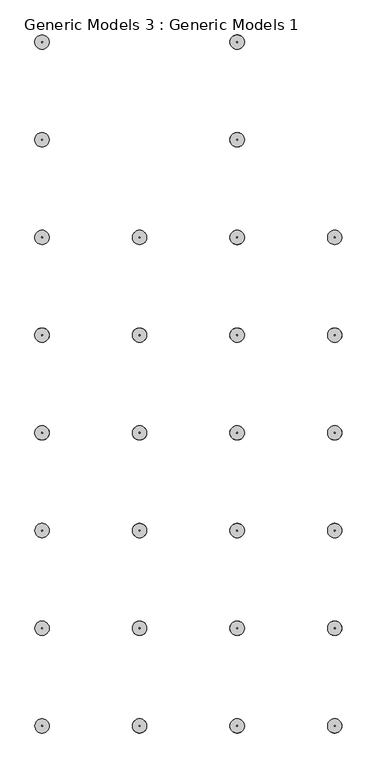
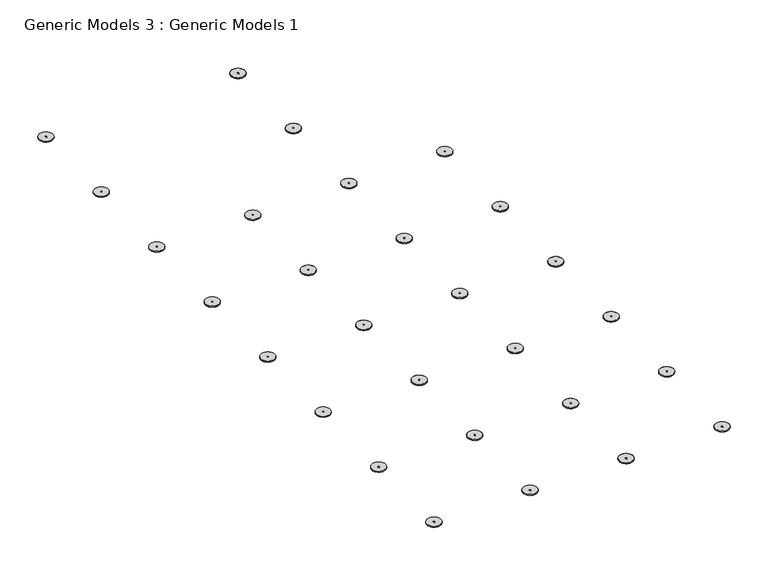
"""IFC4 building model written with IfcOpenShell, lengths in millimetres: proxy geometry, Generic Models 3 : Generic Models 1."""

from ifc_helpers import new_model, si_unit, point, frame, frame_2d, origin, place, context, project, spatial, circle_curve, trimmed, segment, composite_curve, outline, extrude, source, transform, mapped, element, save


def generic_models_3_generic_models_1_e94367e5(model_context):
    return source(origin(), model_context, "Body", "SweptSolid", [
        extrude(outline(composite_curve([segment(trimmed(circle_curve(frame_2d((2657.2726139, -2527.2713401)), 22.225), [point((2657.2726139, -2549.4963401))], [point((2657.2726139, -2505.0463401))], False, "CARTESIAN"), True, "CONTINUOUS"), segment(trimmed(circle_curve(frame_2d((2657.2726139, -2527.2713401)), 22.225), [point((2657.2726139, -2505.0463401))], [point((2657.2726139, -2549.4963401))], False, "CARTESIAN"), True, "CONTINUOUS")], self_intersect=False), holes=[composite_curve([segment(trimmed(circle_curve(frame_2d((2657.2726139, -2527.2713401)), 1.5875), [point((2657.2726139, -2528.8588401))], [point((2657.2726139, -2525.6838401))], True, "CARTESIAN"), True, "CONTINUOUS"), segment(trimmed(circle_curve(frame_2d((2657.2726139, -2527.2713401)), 1.5875), [point((2657.2726139, -2525.6838401))], [point((2657.2726139, -2528.8588401))], True, "CARTESIAN"), True, "CONTINUOUS")], self_intersect=False)]), frame((0.0, 0.0, 25.4), z_axis=(0.0, 0.0, 1.0), x_axis=(1.0, 0.0, 0.0)), (0.0, 0.0, 1.0), 3.175),
        extrude(outline(composite_curve([segment(trimmed(circle_curve(frame_2d((2657.2726139, -2527.2713401)), 22.225), [point((2635.0476139, -2527.2713401))], [point((2679.4976139, -2527.2713401))], False, "CARTESIAN"), True, "CONTINUOUS"), segment(trimmed(circle_curve(frame_2d((2657.2726139, -2527.2713401)), 22.225), [point((2679.4976139, -2527.2713401))], [point((2635.0476139, -2527.2713401))], False, "CARTESIAN"), True, "CONTINUOUS")], self_intersect=False), holes=[composite_curve([segment(trimmed(circle_curve(frame_2d((2657.2726139, -2527.2713401)), 1.5875), [point((2655.6851139, -2527.2713401))], [point((2658.8601139, -2527.2713401))], True, "CARTESIAN"), True, "CONTINUOUS"), segment(trimmed(circle_curve(frame_2d((2657.2726139, -2527.2713401)), 1.5875), [point((2658.8601139, -2527.2713401))], [point((2655.6851139, -2527.2713401))], True, "CARTESIAN"), True, "CONTINUOUS")], self_intersect=False)]), frame((0.0, 0.0, 25.4), z_axis=(0.0, 0.0, 1.0), x_axis=(1.0, 0.0, 0.0)), (0.0, 0.0, 1.0), 3.175),
        extrude(outline(composite_curve([segment(trimmed(circle_curve(frame_2d((2657.2726139, -2222.4713401)), 22.225), [point((2657.2726139, -2244.6963401))], [point((2657.2726139, -2200.2463401))], False, "CARTESIAN"), True, "CONTINUOUS"), segment(trimmed(circle_curve(frame_2d((2657.2726139, -2222.4713401)), 22.225), [point((2657.2726139, -2200.2463401))], [point((2657.2726139, -2244.6963401))], False, "CARTESIAN"), True, "CONTINUOUS")], self_intersect=False), holes=[composite_curve([segment(trimmed(circle_curve(frame_2d((2657.2726139, -2222.4713401)), 1.5875), [point((2657.2726139, -2224.0588401))], [point((2657.2726139, -2220.8838401))], True, "CARTESIAN"), True, "CONTINUOUS"), segment(trimmed(circle_curve(frame_2d((2657.2726139, -2222.4713401)), 1.5875), [point((2657.2726139, -2220.8838401))], [point((2657.2726139, -2224.0588401))], True, "CARTESIAN"), True, "CONTINUOUS")], self_intersect=False)]), frame((0.0, 0.0, 25.4), z_axis=(0.0, 0.0, 1.0), x_axis=(1.0, 0.0, 0.0)), (0.0, 0.0, 1.0), 3.175),
        extrude(outline(composite_curve([segment(trimmed(circle_curve(frame_2d((2657.2726139, -2222.4713401)), 22.225), [point((2635.0476139, -2222.4713401))], [point((2679.4976139, -2222.4713401))], False, "CARTESIAN"), True, "CONTINUOUS"), segment(trimmed(circle_curve(frame_2d((2657.2726139, -2222.4713401)), 22.225), [point((2679.4976139, -2222.4713401))], [point((2635.0476139, -2222.4713401))], False, "CARTESIAN"), True, "CONTINUOUS")], self_intersect=False), holes=[composite_curve([segment(trimmed(circle_curve(frame_2d((2657.2726139, -2222.4713401)), 1.5875), [point((2655.6851139, -2222.4713401))], [point((2658.8601139, -2222.4713401))], True, "CARTESIAN"), True, "CONTINUOUS"), segment(trimmed(circle_curve(frame_2d((2657.2726139, -2222.4713401)), 1.5875), [point((2658.8601139, -2222.4713401))], [point((2655.6851139, -2222.4713401))], True, "CARTESIAN"), True, "CONTINUOUS")], self_intersect=False)]), frame((0.0, 0.0, 25.4), z_axis=(0.0, 0.0, 1.0), x_axis=(1.0, 0.0, 0.0)), (0.0, 0.0, 1.0), 3.175),
        extrude(outline(composite_curve([segment(trimmed(circle_curve(frame_2d((2657.2726139, -1917.6713401)), 22.225), [point((2657.2726139, -1939.8963401))], [point((2657.2726139, -1895.4463401))], False, "CARTESIAN"), True, "CONTINUOUS"), segment(trimmed(circle_curve(frame_2d((2657.2726139, -1917.6713401)), 22.225), [point((2657.2726139, -1895.4463401))], [point((2657.2726139, -1939.8963401))], False, "CARTESIAN"), True, "CONTINUOUS")], self_intersect=False), holes=[composite_curve([segment(trimmed(circle_curve(frame_2d((2657.2726139, -1917.6713401)), 1.5875), [point((2657.2726139, -1919.2588401))], [point((2657.2726139, -1916.0838401))], True, "CARTESIAN"), True, "CONTINUOUS"), segment(trimmed(circle_curve(frame_2d((2657.2726139, -1917.6713401)), 1.5875), [point((2657.2726139, -1916.0838401))], [point((2657.2726139, -1919.2588401))], True, "CARTESIAN"), True, "CONTINUOUS")], self_intersect=False)]), frame((0.0, 0.0, 25.4), z_axis=(0.0, 0.0, 1.0), x_axis=(1.0, 0.0, 0.0)), (0.0, 0.0, 1.0), 3.175),
        extrude(outline(composite_curve([segment(trimmed(circle_curve(frame_2d((2657.2726139, -1917.6713401)), 22.225), [point((2635.0476139, -1917.6713401))], [point((2679.4976139, -1917.6713401))], False, "CARTESIAN"), True, "CONTINUOUS"), segment(trimmed(circle_curve(frame_2d((2657.2726139, -1917.6713401)), 22.225), [point((2679.4976139, -1917.6713401))], [point((2635.0476139, -1917.6713401))], False, "CARTESIAN"), True, "CONTINUOUS")], self_intersect=False), holes=[composite_curve([segment(trimmed(circle_curve(frame_2d((2657.2726139, -1917.6713401)), 1.5875), [point((2655.6851139, -1917.6713401))], [point((2658.8601139, -1917.6713401))], True, "CARTESIAN"), True, "CONTINUOUS"), segment(trimmed(circle_curve(frame_2d((2657.2726139, -1917.6713401)), 1.5875), [point((2658.8601139, -1917.6713401))], [point((2655.6851139, -1917.6713401))], True, "CARTESIAN"), True, "CONTINUOUS")], self_intersect=False)]), frame((0.0, 0.0, 25.4), z_axis=(0.0, 0.0, 1.0), x_axis=(1.0, 0.0, 0.0)), (0.0, 0.0, 1.0), 3.175),
        extrude(outline(composite_curve([segment(trimmed(circle_curve(frame_2d((2657.2726139, -1612.8713401)), 22.225), [point((2657.2726139, -1635.0963401))], [point((2657.2726139, -1590.6463401))], False, "CARTESIAN"), True, "CONTINUOUS"), segment(trimmed(circle_curve(frame_2d((2657.2726139, -1612.8713401)), 22.225), [point((2657.2726139, -1590.6463401))], [point((2657.2726139, -1635.0963401))], False, "CARTESIAN"), True, "CONTINUOUS")], self_intersect=False), holes=[composite_curve([segment(trimmed(circle_curve(frame_2d((2657.2726139, -1612.8713401)), 1.5875), [point((2657.2726139, -1614.4588401))], [point((2657.2726139, -1611.2838401))], True, "CARTESIAN"), True, "CONTINUOUS"), segment(trimmed(circle_curve(frame_2d((2657.2726139, -1612.8713401)), 1.5875), [point((2657.2726139, -1611.2838401))], [point((2657.2726139, -1614.4588401))], True, "CARTESIAN"), True, "CONTINUOUS")], self_intersect=False)]), frame((0.0, 0.0, 25.4), z_axis=(0.0, 0.0, 1.0), x_axis=(1.0, 0.0, 0.0)), (0.0, 0.0, 1.0), 3.175),
        extrude(outline(composite_curve([segment(trimmed(circle_curve(frame_2d((2657.2726139, -1612.8713401)), 22.225), [point((2635.0476139, -1612.8713401))], [point((2679.4976139, -1612.8713401))], False, "CARTESIAN"), True, "CONTINUOUS"), segment(trimmed(circle_curve(frame_2d((2657.2726139, -1612.8713401)), 22.225), [point((2679.4976139, -1612.8713401))], [point((2635.0476139, -1612.8713401))], False, "CARTESIAN"), True, "CONTINUOUS")], self_intersect=False), holes=[composite_curve([segment(trimmed(circle_curve(frame_2d((2657.2726139, -1612.8713401)), 1.5875), [point((2655.6851139, -1612.8713401))], [point((2658.8601139, -1612.8713401))], True, "CARTESIAN"), True, "CONTINUOUS"), segment(trimmed(circle_curve(frame_2d((2657.2726139, -1612.8713401)), 1.5875), [point((2658.8601139, -1612.8713401))], [point((2655.6851139, -1612.8713401))], True, "CARTESIAN"), True, "CONTINUOUS")], self_intersect=False)]), frame((0.0, 0.0, 25.4), z_axis=(0.0, 0.0, 1.0), x_axis=(1.0, 0.0, 0.0)), (0.0, 0.0, 1.0), 3.175),
        extrude(outline(composite_curve([segment(trimmed(circle_curve(frame_2d((2657.2726139, -1308.0713401)), 22.225), [point((2657.2726139, -1330.2963401))], [point((2657.2726139, -1285.8463401))], False, "CARTESIAN"), True, "CONTINUOUS"), segment(trimmed(circle_curve(frame_2d((2657.2726139, -1308.0713401)), 22.225), [point((2657.2726139, -1285.8463401))], [point((2657.2726139, -1330.2963401))], False, "CARTESIAN"), True, "CONTINUOUS")], self_intersect=False), holes=[composite_curve([segment(trimmed(circle_curve(frame_2d((2657.2726139, -1308.0713401)), 1.5875), [point((2657.2726139, -1309.6588401))], [point((2657.2726139, -1306.4838401))], True, "CARTESIAN"), True, "CONTINUOUS"), segment(trimmed(circle_curve(frame_2d((2657.2726139, -1308.0713401)), 1.5875), [point((2657.2726139, -1306.4838401))], [point((2657.2726139, -1309.6588401))], True, "CARTESIAN"), True, "CONTINUOUS")], self_intersect=False)]), frame((0.0, 0.0, 25.4), z_axis=(0.0, 0.0, 1.0), x_axis=(1.0, 0.0, 0.0)), (0.0, 0.0, 1.0), 3.175),
        extrude(outline(composite_curve([segment(trimmed(circle_curve(frame_2d((2657.2726139, -1308.0713401)), 22.225), [point((2635.0476139, -1308.0713401))], [point((2679.4976139, -1308.0713401))], False, "CARTESIAN"), True, "CONTINUOUS"), segment(trimmed(circle_curve(frame_2d((2657.2726139, -1308.0713401)), 22.225), [point((2679.4976139, -1308.0713401))], [point((2635.0476139, -1308.0713401))], False, "CARTESIAN"), True, "CONTINUOUS")], self_intersect=False), holes=[composite_curve([segment(trimmed(circle_curve(frame_2d((2657.2726139, -1308.0713401)), 1.5875), [point((2655.6851139, -1308.0713401))], [point((2658.8601139, -1308.0713401))], True, "CARTESIAN"), True, "CONTINUOUS"), segment(trimmed(circle_curve(frame_2d((2657.2726139, -1308.0713401)), 1.5875), [point((2658.8601139, -1308.0713401))], [point((2655.6851139, -1308.0713401))], True, "CARTESIAN"), True, "CONTINUOUS")], self_intersect=False)]), frame((0.0, 0.0, 25.4), z_axis=(0.0, 0.0, 1.0), x_axis=(1.0, 0.0, 0.0)), (0.0, 0.0, 1.0), 3.175),
        extrude(outline(composite_curve([segment(trimmed(circle_curve(frame_2d((2657.2726139, -1003.2713401)), 22.225), [point((2657.2726139, -1025.4963401))], [point((2657.2726139, -981.0463401))], False, "CARTESIAN"), True, "CONTINUOUS"), segment(trimmed(circle_curve(frame_2d((2657.2726139, -1003.2713401)), 22.225), [point((2657.2726139, -981.0463401))], [point((2657.2726139, -1025.4963401))], False, "CARTESIAN"), True, "CONTINUOUS")], self_intersect=False), holes=[composite_curve([segment(trimmed(circle_curve(frame_2d((2657.2726139, -1003.2713401)), 1.5875), [point((2657.2726139, -1004.8588401))], [point((2657.2726139, -1001.6838401))], True, "CARTESIAN"), True, "CONTINUOUS"), segment(trimmed(circle_curve(frame_2d((2657.2726139, -1003.2713401)), 1.5875), [point((2657.2726139, -1001.6838401))], [point((2657.2726139, -1004.8588401))], True, "CARTESIAN"), True, "CONTINUOUS")], self_intersect=False)]), frame((0.0, 0.0, 25.4), z_axis=(0.0, 0.0, 1.0), x_axis=(1.0, 0.0, 0.0)), (0.0, 0.0, 1.0), 3.175),
        extrude(outline(composite_curve([segment(trimmed(circle_curve(frame_2d((2657.2726139, -1003.2713401)), 22.225), [point((2635.0476139, -1003.2713401))], [point((2679.4976139, -1003.2713401))], False, "CARTESIAN"), True, "CONTINUOUS"), segment(trimmed(circle_curve(frame_2d((2657.2726139, -1003.2713401)), 22.225), [point((2679.4976139, -1003.2713401))], [point((2635.0476139, -1003.2713401))], False, "CARTESIAN"), True, "CONTINUOUS")], self_intersect=False), holes=[composite_curve([segment(trimmed(circle_curve(frame_2d((2657.2726139, -1003.2713401)), 1.5875), [point((2655.6851139, -1003.2713401))], [point((2658.8601139, -1003.2713401))], True, "CARTESIAN"), True, "CONTINUOUS"), segment(trimmed(circle_curve(frame_2d((2657.2726139, -1003.2713401)), 1.5875), [point((2658.8601139, -1003.2713401))], [point((2655.6851139, -1003.2713401))], True, "CARTESIAN"), True, "CONTINUOUS")], self_intersect=False)]), frame((0.0, 0.0, 25.4), z_axis=(0.0, 0.0, 1.0), x_axis=(1.0, 0.0, 0.0)), (0.0, 0.0, 1.0), 3.175),
        extrude(outline(composite_curve([segment(trimmed(circle_curve(frame_2d((2657.2726139, -698.4713401)), 22.225), [point((2657.2726139, -720.6963401))], [point((2657.2726139, -676.2463401))], False, "CARTESIAN"), True, "CONTINUOUS"), segment(trimmed(circle_curve(frame_2d((2657.2726139, -698.4713401)), 22.225), [point((2657.2726139, -676.2463401))], [point((2657.2726139, -720.6963401))], False, "CARTESIAN"), True, "CONTINUOUS")], self_intersect=False), holes=[composite_curve([segment(trimmed(circle_curve(frame_2d((2657.2726139, -698.4713401)), 1.5875), [point((2657.2726139, -700.0588401))], [point((2657.2726139, -696.8838401))], True, "CARTESIAN"), True, "CONTINUOUS"), segment(trimmed(circle_curve(frame_2d((2657.2726139, -698.4713401)), 1.5875), [point((2657.2726139, -696.8838401))], [point((2657.2726139, -700.0588401))], True, "CARTESIAN"), True, "CONTINUOUS")], self_intersect=False)]), frame((0.0, 0.0, 25.4), z_axis=(0.0, 0.0, 1.0), x_axis=(1.0, 0.0, 0.0)), (0.0, 0.0, 1.0), 3.175),
        extrude(outline(composite_curve([segment(trimmed(circle_curve(frame_2d((2657.2726139, -698.4713401)), 22.225), [point((2635.0476139, -698.4713401))], [point((2679.4976139, -698.4713401))], False, "CARTESIAN"), True, "CONTINUOUS"), segment(trimmed(circle_curve(frame_2d((2657.2726139, -698.4713401)), 22.225), [point((2679.4976139, -698.4713401))], [point((2635.0476139, -698.4713401))], False, "CARTESIAN"), True, "CONTINUOUS")], self_intersect=False), holes=[composite_curve([segment(trimmed(circle_curve(frame_2d((2657.2726139, -698.4713401)), 1.5875), [point((2655.6851139, -698.4713401))], [point((2658.8601139, -698.4713401))], True, "CARTESIAN"), True, "CONTINUOUS"), segment(trimmed(circle_curve(frame_2d((2657.2726139, -698.4713401)), 1.5875), [point((2658.8601139, -698.4713401))], [point((2655.6851139, -698.4713401))], True, "CARTESIAN"), True, "CONTINUOUS")], self_intersect=False)]), frame((0.0, 0.0, 25.4), z_axis=(0.0, 0.0, 1.0), x_axis=(1.0, 0.0, 0.0)), (0.0, 0.0, 1.0), 3.175),
        extrude(outline(composite_curve([segment(trimmed(circle_curve(frame_2d((2657.2726139, -393.6713401)), 22.225), [point((2657.2726139, -415.8963401))], [point((2657.2726139, -371.4463401))], False, "CARTESIAN"), True, "CONTINUOUS"), segment(trimmed(circle_curve(frame_2d((2657.2726139, -393.6713401)), 22.225), [point((2657.2726139, -371.4463401))], [point((2657.2726139, -415.8963401))], False, "CARTESIAN"), True, "CONTINUOUS")], self_intersect=False), holes=[composite_curve([segment(trimmed(circle_curve(frame_2d((2657.2726139, -393.6713401)), 1.5875), [point((2657.2726139, -395.2588401))], [point((2657.2726139, -392.0838401))], True, "CARTESIAN"), True, "CONTINUOUS"), segment(trimmed(circle_curve(frame_2d((2657.2726139, -393.6713401)), 1.5875), [point((2657.2726139, -392.0838401))], [point((2657.2726139, -395.2588401))], True, "CARTESIAN"), True, "CONTINUOUS")], self_intersect=False)]), frame((0.0, 0.0, 25.4), z_axis=(0.0, 0.0, 1.0), x_axis=(1.0, 0.0, 0.0)), (0.0, 0.0, 1.0), 3.175),
        extrude(outline(composite_curve([segment(trimmed(circle_curve(frame_2d((2657.2726139, -393.6713401)), 22.225), [point((2635.0476139, -393.6713401))], [point((2679.4976139, -393.6713401))], False, "CARTESIAN"), True, "CONTINUOUS"), segment(trimmed(circle_curve(frame_2d((2657.2726139, -393.6713401)), 22.225), [point((2679.4976139, -393.6713401))], [point((2635.0476139, -393.6713401))], False, "CARTESIAN"), True, "CONTINUOUS")], self_intersect=False), holes=[composite_curve([segment(trimmed(circle_curve(frame_2d((2657.2726139, -393.6713401)), 1.5875), [point((2655.6851139, -393.6713401))], [point((2658.8601139, -393.6713401))], True, "CARTESIAN"), True, "CONTINUOUS"), segment(trimmed(circle_curve(frame_2d((2657.2726139, -393.6713401)), 1.5875), [point((2658.8601139, -393.6713401))], [point((2655.6851139, -393.6713401))], True, "CARTESIAN"), True, "CONTINUOUS")], self_intersect=False)]), frame((0.0, 0.0, 25.4), z_axis=(0.0, 0.0, 1.0), x_axis=(1.0, 0.0, 0.0)), (0.0, 0.0, 1.0), 3.175),
        extrude(outline(composite_curve([segment(trimmed(circle_curve(frame_2d((2047.6726139, -1612.8713401)), 22.225), [point((2047.6726139, -1635.0963401))], [point((2047.6726139, -1590.6463401))], False, "CARTESIAN"), True, "CONTINUOUS"), segment(trimmed(circle_curve(frame_2d((2047.6726139, -1612.8713401)), 22.225), [point((2047.6726139, -1590.6463401))], [point((2047.6726139, -1635.0963401))], False, "CARTESIAN"), True, "CONTINUOUS")], self_intersect=False), holes=[composite_curve([segment(trimmed(circle_curve(frame_2d((2047.6726139, -1612.8713401)), 1.5875), [point((2047.6726139, -1614.4588401))], [point((2047.6726139, -1611.2838401))], True, "CARTESIAN"), True, "CONTINUOUS"), segment(trimmed(circle_curve(frame_2d((2047.6726139, -1612.8713401)), 1.5875), [point((2047.6726139, -1611.2838401))], [point((2047.6726139, -1614.4588401))], True, "CARTESIAN"), True, "CONTINUOUS")], self_intersect=False)]), frame((0.0, 0.0, 25.4), z_axis=(0.0, 0.0, 1.0), x_axis=(1.0, 0.0, 0.0)), (0.0, 0.0, 1.0), 3.175),
        extrude(outline(composite_curve([segment(trimmed(circle_curve(frame_2d((2047.6726139, -1308.0713401)), 22.225), [point((2047.6726139, -1330.2963401))], [point((2047.6726139, -1285.8463401))], False, "CARTESIAN"), True, "CONTINUOUS"), segment(trimmed(circle_curve(frame_2d((2047.6726139, -1308.0713401)), 22.225), [point((2047.6726139, -1285.8463401))], [point((2047.6726139, -1330.2963401))], False, "CARTESIAN"), True, "CONTINUOUS")], self_intersect=False), holes=[composite_curve([segment(trimmed(circle_curve(frame_2d((2047.6726139, -1308.0713401)), 1.5875), [point((2047.6726139, -1309.6588401))], [point((2047.6726139, -1306.4838401))], True, "CARTESIAN"), True, "CONTINUOUS"), segment(trimmed(circle_curve(frame_2d((2047.6726139, -1308.0713401)), 1.5875), [point((2047.6726139, -1306.4838401))], [point((2047.6726139, -1309.6588401))], True, "CARTESIAN"), True, "CONTINUOUS")], self_intersect=False)]), frame((0.0, 0.0, 25.4), z_axis=(0.0, 0.0, 1.0), x_axis=(1.0, 0.0, 0.0)), (0.0, 0.0, 1.0), 3.175),
        extrude(outline(composite_curve([segment(trimmed(circle_curve(frame_2d((2047.6726139, -1003.2713401)), 22.225), [point((2047.6726139, -1025.4963401))], [point((2047.6726139, -981.0463401))], False, "CARTESIAN"), True, "CONTINUOUS"), segment(trimmed(circle_curve(frame_2d((2047.6726139, -1003.2713401)), 22.225), [point((2047.6726139, -981.0463401))], [point((2047.6726139, -1025.4963401))], False, "CARTESIAN"), True, "CONTINUOUS")], self_intersect=False), holes=[composite_curve([segment(trimmed(circle_curve(frame_2d((2047.6726139, -1003.2713401)), 1.5875), [point((2047.6726139, -1004.8588401))], [point((2047.6726139, -1001.6838401))], True, "CARTESIAN"), True, "CONTINUOUS"), segment(trimmed(circle_curve(frame_2d((2047.6726139, -1003.2713401)), 1.5875), [point((2047.6726139, -1001.6838401))], [point((2047.6726139, -1004.8588401))], True, "CARTESIAN"), True, "CONTINUOUS")], self_intersect=False)]), frame((0.0, 0.0, 25.4), z_axis=(0.0, 0.0, 1.0), x_axis=(1.0, 0.0, 0.0)), (0.0, 0.0, 1.0), 3.175),
        extrude(outline(composite_curve([segment(trimmed(circle_curve(frame_2d((2047.6726139, -698.4713401)), 22.225), [point((2047.6726139, -720.6963401))], [point((2047.6726139, -676.2463401))], False, "CARTESIAN"), True, "CONTINUOUS"), segment(trimmed(circle_curve(frame_2d((2047.6726139, -698.4713401)), 22.225), [point((2047.6726139, -676.2463401))], [point((2047.6726139, -720.6963401))], False, "CARTESIAN"), True, "CONTINUOUS")], self_intersect=False), holes=[composite_curve([segment(trimmed(circle_curve(frame_2d((2047.6726139, -698.4713401)), 1.5875), [point((2047.6726139, -700.0588401))], [point((2047.6726139, -696.8838401))], True, "CARTESIAN"), True, "CONTINUOUS"), segment(trimmed(circle_curve(frame_2d((2047.6726139, -698.4713401)), 1.5875), [point((2047.6726139, -696.8838401))], [point((2047.6726139, -700.0588401))], True, "CARTESIAN"), True, "CONTINUOUS")], self_intersect=False)]), frame((0.0, 0.0, 25.4), z_axis=(0.0, 0.0, 1.0), x_axis=(1.0, 0.0, 0.0)), (0.0, 0.0, 1.0), 3.175),
        extrude(outline(composite_curve([segment(trimmed(circle_curve(frame_2d((2047.6726139, -393.6713401)), 22.225), [point((2047.6726139, -415.8963401))], [point((2047.6726139, -371.4463401))], False, "CARTESIAN"), True, "CONTINUOUS"), segment(trimmed(circle_curve(frame_2d((2047.6726139, -393.6713401)), 22.225), [point((2047.6726139, -371.4463401))], [point((2047.6726139, -415.8963401))], False, "CARTESIAN"), True, "CONTINUOUS")], self_intersect=False), holes=[composite_curve([segment(trimmed(circle_curve(frame_2d((2047.6726139, -393.6713401)), 1.5875), [point((2047.6726139, -395.2588401))], [point((2047.6726139, -392.0838401))], True, "CARTESIAN"), True, "CONTINUOUS"), segment(trimmed(circle_curve(frame_2d((2047.6726139, -393.6713401)), 1.5875), [point((2047.6726139, -392.0838401))], [point((2047.6726139, -395.2588401))], True, "CARTESIAN"), True, "CONTINUOUS")], self_intersect=False)]), frame((0.0, 0.0, 25.4), z_axis=(0.0, 0.0, 1.0), x_axis=(1.0, 0.0, 0.0)), (0.0, 0.0, 1.0), 3.175),
        extrude(outline(composite_curve([segment(trimmed(circle_curve(frame_2d((2352.4726139, -2527.2713401)), 22.225), [point((2352.4726139, -2549.4963401))], [point((2352.4726139, -2505.0463401))], False, "CARTESIAN"), True, "CONTINUOUS"), segment(trimmed(circle_curve(frame_2d((2352.4726139, -2527.2713401)), 22.225), [point((2352.4726139, -2505.0463401))], [point((2352.4726139, -2549.4963401))], False, "CARTESIAN"), True, "CONTINUOUS")], self_intersect=False), holes=[composite_curve([segment(trimmed(circle_curve(frame_2d((2352.4726139, -2527.2713401)), 1.5875), [point((2352.4726139, -2528.8588401))], [point((2352.4726139, -2525.6838401))], True, "CARTESIAN"), True, "CONTINUOUS"), segment(trimmed(circle_curve(frame_2d((2352.4726139, -2527.2713401)), 1.5875), [point((2352.4726139, -2525.6838401))], [point((2352.4726139, -2528.8588401))], True, "CARTESIAN"), True, "CONTINUOUS")], self_intersect=False)]), frame((0.0, 0.0, 25.4), z_axis=(0.0, 0.0, 1.0), x_axis=(1.0, 0.0, 0.0)), (0.0, 0.0, 1.0), 3.175),
        extrude(outline(composite_curve([segment(trimmed(circle_curve(frame_2d((2962.0726139, -2527.2713401)), 22.225), [point((2962.0726139, -2549.4963401))], [point((2962.0726139, -2505.0463401))], False, "CARTESIAN"), True, "CONTINUOUS"), segment(trimmed(circle_curve(frame_2d((2962.0726139, -2527.2713401)), 22.225), [point((2962.0726139, -2505.0463401))], [point((2962.0726139, -2549.4963401))], False, "CARTESIAN"), True, "CONTINUOUS")], self_intersect=False), holes=[composite_curve([segment(trimmed(circle_curve(frame_2d((2962.0726139, -2527.2713401)), 1.5875), [point((2962.0726139, -2528.8588401))], [point((2962.0726139, -2525.6838401))], True, "CARTESIAN"), True, "CONTINUOUS"), segment(trimmed(circle_curve(frame_2d((2962.0726139, -2527.2713401)), 1.5875), [point((2962.0726139, -2525.6838401))], [point((2962.0726139, -2528.8588401))], True, "CARTESIAN"), True, "CONTINUOUS")], self_intersect=False)]), frame((0.0, 0.0, 25.4), z_axis=(0.0, 0.0, 1.0), x_axis=(1.0, 0.0, 0.0)), (0.0, 0.0, 1.0), 3.175),
        extrude(outline(composite_curve([segment(trimmed(circle_curve(frame_2d((2352.4726139, -2527.2713401)), 22.225), [point((2330.2476139, -2527.2713401))], [point((2374.6976139, -2527.2713401))], False, "CARTESIAN"), True, "CONTINUOUS"), segment(trimmed(circle_curve(frame_2d((2352.4726139, -2527.2713401)), 22.225), [point((2374.6976139, -2527.2713401))], [point((2330.2476139, -2527.2713401))], False, "CARTESIAN"), True, "CONTINUOUS")], self_intersect=False), holes=[composite_curve([segment(trimmed(circle_curve(frame_2d((2352.4726139, -2527.2713401)), 1.5875), [point((2350.8851139, -2527.2713401))], [point((2354.0601139, -2527.2713401))], True, "CARTESIAN"), True, "CONTINUOUS"), segment(trimmed(circle_curve(frame_2d((2352.4726139, -2527.2713401)), 1.5875), [point((2354.0601139, -2527.2713401))], [point((2350.8851139, -2527.2713401))], True, "CARTESIAN"), True, "CONTINUOUS")], self_intersect=False)]), frame((0.0, 0.0, 25.4), z_axis=(0.0, 0.0, 1.0), x_axis=(1.0, 0.0, 0.0)), (0.0, 0.0, 1.0), 3.175),
        extrude(outline(composite_curve([segment(trimmed(circle_curve(frame_2d((2047.6726139, -2527.2713401)), 22.225), [point((2069.8976139, -2527.2713401))], [point((2025.4476139, -2527.2713401))], False, "CARTESIAN"), True, "CONTINUOUS"), segment(trimmed(circle_curve(frame_2d((2047.6726139, -2527.2713401)), 22.225), [point((2025.4476139, -2527.2713401))], [point((2069.8976139, -2527.2713401))], False, "CARTESIAN"), True, "CONTINUOUS")], self_intersect=False), holes=[composite_curve([segment(trimmed(circle_curve(frame_2d((2047.6726139, -2527.2713401)), 1.5875), [point((2049.2601139, -2527.2713401))], [point((2046.0851139, -2527.2713401))], True, "CARTESIAN"), True, "CONTINUOUS"), segment(trimmed(circle_curve(frame_2d((2047.6726139, -2527.2713401)), 1.5875), [point((2046.0851139, -2527.2713401))], [point((2049.2601139, -2527.2713401))], True, "CARTESIAN"), True, "CONTINUOUS")], self_intersect=False)]), frame((0.0, 0.0, 25.4), z_axis=(0.0, 0.0, 1.0), x_axis=(1.0, 0.0, 0.0)), (0.0, 0.0, 1.0), 3.175),
        extrude(outline(composite_curve([segment(trimmed(circle_curve(frame_2d((2962.0726139, -2527.2713401)), 22.225), [point((2939.8476139, -2527.2713401))], [point((2984.2976139, -2527.2713401))], False, "CARTESIAN"), True, "CONTINUOUS"), segment(trimmed(circle_curve(frame_2d((2962.0726139, -2527.2713401)), 22.225), [point((2984.2976139, -2527.2713401))], [point((2939.8476139, -2527.2713401))], False, "CARTESIAN"), True, "CONTINUOUS")], self_intersect=False), holes=[composite_curve([segment(trimmed(circle_curve(frame_2d((2962.0726139, -2527.2713401)), 1.5875), [point((2960.4851139, -2527.2713401))], [point((2963.6601139, -2527.2713401))], True, "CARTESIAN"), True, "CONTINUOUS"), segment(trimmed(circle_curve(frame_2d((2962.0726139, -2527.2713401)), 1.5875), [point((2963.6601139, -2527.2713401))], [point((2960.4851139, -2527.2713401))], True, "CARTESIAN"), True, "CONTINUOUS")], self_intersect=False)]), frame((0.0, 0.0, 25.4), z_axis=(0.0, 0.0, 1.0), x_axis=(1.0, 0.0, 0.0)), (0.0, 0.0, 1.0), 3.175),
        extrude(outline(composite_curve([segment(trimmed(circle_curve(frame_2d((2352.4726139, -2222.4713401)), 22.225), [point((2352.4726139, -2244.6963401))], [point((2352.4726139, -2200.2463401))], False, "CARTESIAN"), True, "CONTINUOUS"), segment(trimmed(circle_curve(frame_2d((2352.4726139, -2222.4713401)), 22.225), [point((2352.4726139, -2200.2463401))], [point((2352.4726139, -2244.6963401))], False, "CARTESIAN"), True, "CONTINUOUS")], self_intersect=False), holes=[composite_curve([segment(trimmed(circle_curve(frame_2d((2352.4726139, -2222.4713401)), 1.5875), [point((2352.4726139, -2224.0588401))], [point((2352.4726139, -2220.8838401))], True, "CARTESIAN"), True, "CONTINUOUS"), segment(trimmed(circle_curve(frame_2d((2352.4726139, -2222.4713401)), 1.5875), [point((2352.4726139, -2220.8838401))], [point((2352.4726139, -2224.0588401))], True, "CARTESIAN"), True, "CONTINUOUS")], self_intersect=False)]), frame((0.0, 0.0, 25.4), z_axis=(0.0, 0.0, 1.0), x_axis=(1.0, 0.0, 0.0)), (0.0, 0.0, 1.0), 3.175),
        extrude(outline(composite_curve([segment(trimmed(circle_curve(frame_2d((2962.0726139, -2222.4713401)), 22.225), [point((2962.0726139, -2244.6963401))], [point((2962.0726139, -2200.2463401))], False, "CARTESIAN"), True, "CONTINUOUS"), segment(trimmed(circle_curve(frame_2d((2962.0726139, -2222.4713401)), 22.225), [point((2962.0726139, -2200.2463401))], [point((2962.0726139, -2244.6963401))], False, "CARTESIAN"), True, "CONTINUOUS")], self_intersect=False), holes=[composite_curve([segment(trimmed(circle_curve(frame_2d((2962.0726139, -2222.4713401)), 1.5875), [point((2962.0726139, -2224.0588401))], [point((2962.0726139, -2220.8838401))], True, "CARTESIAN"), True, "CONTINUOUS"), segment(trimmed(circle_curve(frame_2d((2962.0726139, -2222.4713401)), 1.5875), [point((2962.0726139, -2220.8838401))], [point((2962.0726139, -2224.0588401))], True, "CARTESIAN"), True, "CONTINUOUS")], self_intersect=False)]), frame((0.0, 0.0, 25.4), z_axis=(0.0, 0.0, 1.0), x_axis=(1.0, 0.0, 0.0)), (0.0, 0.0, 1.0), 3.175),
        extrude(outline(composite_curve([segment(trimmed(circle_curve(frame_2d((2352.4726139, -2222.4713401)), 22.225), [point((2330.2476139, -2222.4713401))], [point((2374.6976139, -2222.4713401))], False, "CARTESIAN"), True, "CONTINUOUS"), segment(trimmed(circle_curve(frame_2d((2352.4726139, -2222.4713401)), 22.225), [point((2374.6976139, -2222.4713401))], [point((2330.2476139, -2222.4713401))], False, "CARTESIAN"), True, "CONTINUOUS")], self_intersect=False), holes=[composite_curve([segment(trimmed(circle_curve(frame_2d((2352.4726139, -2222.4713401)), 1.5875), [point((2350.8851139, -2222.4713401))], [point((2354.0601139, -2222.4713401))], True, "CARTESIAN"), True, "CONTINUOUS"), segment(trimmed(circle_curve(frame_2d((2352.4726139, -2222.4713401)), 1.5875), [point((2354.0601139, -2222.4713401))], [point((2350.8851139, -2222.4713401))], True, "CARTESIAN"), True, "CONTINUOUS")], self_intersect=False)]), frame((0.0, 0.0, 25.4), z_axis=(0.0, 0.0, 1.0), x_axis=(1.0, 0.0, 0.0)), (0.0, 0.0, 1.0), 3.175),
        extrude(outline(composite_curve([segment(trimmed(circle_curve(frame_2d((2047.6726139, -2222.4713401)), 22.225), [point((2069.8976139, -2222.4713401))], [point((2025.4476139, -2222.4713401))], False, "CARTESIAN"), True, "CONTINUOUS"), segment(trimmed(circle_curve(frame_2d((2047.6726139, -2222.4713401)), 22.225), [point((2025.4476139, -2222.4713401))], [point((2069.8976139, -2222.4713401))], False, "CARTESIAN"), True, "CONTINUOUS")], self_intersect=False), holes=[composite_curve([segment(trimmed(circle_curve(frame_2d((2047.6726139, -2222.4713401)), 1.5875), [point((2049.2601139, -2222.4713401))], [point((2046.0851139, -2222.4713401))], True, "CARTESIAN"), True, "CONTINUOUS"), segment(trimmed(circle_curve(frame_2d((2047.6726139, -2222.4713401)), 1.5875), [point((2046.0851139, -2222.4713401))], [point((2049.2601139, -2222.4713401))], True, "CARTESIAN"), True, "CONTINUOUS")], self_intersect=False)]), frame((0.0, 0.0, 25.4), z_axis=(0.0, 0.0, 1.0), x_axis=(1.0, 0.0, 0.0)), (0.0, 0.0, 1.0), 3.175),
        extrude(outline(composite_curve([segment(trimmed(circle_curve(frame_2d((2962.0726139, -2222.4713401)), 22.225), [point((2939.8476139, -2222.4713401))], [point((2984.2976139, -2222.4713401))], False, "CARTESIAN"), True, "CONTINUOUS"), segment(trimmed(circle_curve(frame_2d((2962.0726139, -2222.4713401)), 22.225), [point((2984.2976139, -2222.4713401))], [point((2939.8476139, -2222.4713401))], False, "CARTESIAN"), True, "CONTINUOUS")], self_intersect=False), holes=[composite_curve([segment(trimmed(circle_curve(frame_2d((2962.0726139, -2222.4713401)), 1.5875), [point((2960.4851139, -2222.4713401))], [point((2963.6601139, -2222.4713401))], True, "CARTESIAN"), True, "CONTINUOUS"), segment(trimmed(circle_curve(frame_2d((2962.0726139, -2222.4713401)), 1.5875), [point((2963.6601139, -2222.4713401))], [point((2960.4851139, -2222.4713401))], True, "CARTESIAN"), True, "CONTINUOUS")], self_intersect=False)]), frame((0.0, 0.0, 25.4), z_axis=(0.0, 0.0, 1.0), x_axis=(1.0, 0.0, 0.0)), (0.0, 0.0, 1.0), 3.175),
        extrude(outline(composite_curve([segment(trimmed(circle_curve(frame_2d((2352.4726139, -1917.6713401)), 22.225), [point((2352.4726139, -1939.8963401))], [point((2352.4726139, -1895.4463401))], False, "CARTESIAN"), True, "CONTINUOUS"), segment(trimmed(circle_curve(frame_2d((2352.4726139, -1917.6713401)), 22.225), [point((2352.4726139, -1895.4463401))], [point((2352.4726139, -1939.8963401))], False, "CARTESIAN"), True, "CONTINUOUS")], self_intersect=False), holes=[composite_curve([segment(trimmed(circle_curve(frame_2d((2352.4726139, -1917.6713401)), 1.5875), [point((2352.4726139, -1919.2588401))], [point((2352.4726139, -1916.0838401))], True, "CARTESIAN"), True, "CONTINUOUS"), segment(trimmed(circle_curve(frame_2d((2352.4726139, -1917.6713401)), 1.5875), [point((2352.4726139, -1916.0838401))], [point((2352.4726139, -1919.2588401))], True, "CARTESIAN"), True, "CONTINUOUS")], self_intersect=False)]), frame((0.0, 0.0, 25.4), z_axis=(0.0, 0.0, 1.0), x_axis=(1.0, 0.0, 0.0)), (0.0, 0.0, 1.0), 3.175),
        extrude(outline(composite_curve([segment(trimmed(circle_curve(frame_2d((2962.0726139, -1917.6713401)), 22.225), [point((2962.0726139, -1939.8963401))], [point((2962.0726139, -1895.4463401))], False, "CARTESIAN"), True, "CONTINUOUS"), segment(trimmed(circle_curve(frame_2d((2962.0726139, -1917.6713401)), 22.225), [point((2962.0726139, -1895.4463401))], [point((2962.0726139, -1939.8963401))], False, "CARTESIAN"), True, "CONTINUOUS")], self_intersect=False), holes=[composite_curve([segment(trimmed(circle_curve(frame_2d((2962.0726139, -1917.6713401)), 1.5875), [point((2962.0726139, -1919.2588401))], [point((2962.0726139, -1916.0838401))], True, "CARTESIAN"), True, "CONTINUOUS"), segment(trimmed(circle_curve(frame_2d((2962.0726139, -1917.6713401)), 1.5875), [point((2962.0726139, -1916.0838401))], [point((2962.0726139, -1919.2588401))], True, "CARTESIAN"), True, "CONTINUOUS")], self_intersect=False)]), frame((0.0, 0.0, 25.4), z_axis=(0.0, 0.0, 1.0), x_axis=(1.0, 0.0, 0.0)), (0.0, 0.0, 1.0), 3.175),
        extrude(outline(composite_curve([segment(trimmed(circle_curve(frame_2d((2352.4726139, -1917.6713401)), 22.225), [point((2330.2476139, -1917.6713401))], [point((2374.6976139, -1917.6713401))], False, "CARTESIAN"), True, "CONTINUOUS"), segment(trimmed(circle_curve(frame_2d((2352.4726139, -1917.6713401)), 22.225), [point((2374.6976139, -1917.6713401))], [point((2330.2476139, -1917.6713401))], False, "CARTESIAN"), True, "CONTINUOUS")], self_intersect=False), holes=[composite_curve([segment(trimmed(circle_curve(frame_2d((2352.4726139, -1917.6713401)), 1.5875), [point((2350.8851139, -1917.6713401))], [point((2354.0601139, -1917.6713401))], True, "CARTESIAN"), True, "CONTINUOUS"), segment(trimmed(circle_curve(frame_2d((2352.4726139, -1917.6713401)), 1.5875), [point((2354.0601139, -1917.6713401))], [point((2350.8851139, -1917.6713401))], True, "CARTESIAN"), True, "CONTINUOUS")], self_intersect=False)]), frame((0.0, 0.0, 25.4), z_axis=(0.0, 0.0, 1.0), x_axis=(1.0, 0.0, 0.0)), (0.0, 0.0, 1.0), 3.175),
        extrude(outline(composite_curve([segment(trimmed(circle_curve(frame_2d((2047.6726139, -1917.6713401)), 22.225), [point((2069.8976139, -1917.6713401))], [point((2025.4476139, -1917.6713401))], False, "CARTESIAN"), True, "CONTINUOUS"), segment(trimmed(circle_curve(frame_2d((2047.6726139, -1917.6713401)), 22.225), [point((2025.4476139, -1917.6713401))], [point((2069.8976139, -1917.6713401))], False, "CARTESIAN"), True, "CONTINUOUS")], self_intersect=False), holes=[composite_curve([segment(trimmed(circle_curve(frame_2d((2047.6726139, -1917.6713401)), 1.5875), [point((2049.2601139, -1917.6713401))], [point((2046.0851139, -1917.6713401))], True, "CARTESIAN"), True, "CONTINUOUS"), segment(trimmed(circle_curve(frame_2d((2047.6726139, -1917.6713401)), 1.5875), [point((2046.0851139, -1917.6713401))], [point((2049.2601139, -1917.6713401))], True, "CARTESIAN"), True, "CONTINUOUS")], self_intersect=False)]), frame((0.0, 0.0, 25.4), z_axis=(0.0, 0.0, 1.0), x_axis=(1.0, 0.0, 0.0)), (0.0, 0.0, 1.0), 3.175),
        extrude(outline(composite_curve([segment(trimmed(circle_curve(frame_2d((2962.0726139, -1917.6713401)), 22.225), [point((2939.8476139, -1917.6713401))], [point((2984.2976139, -1917.6713401))], False, "CARTESIAN"), True, "CONTINUOUS"), segment(trimmed(circle_curve(frame_2d((2962.0726139, -1917.6713401)), 22.225), [point((2984.2976139, -1917.6713401))], [point((2939.8476139, -1917.6713401))], False, "CARTESIAN"), True, "CONTINUOUS")], self_intersect=False), holes=[composite_curve([segment(trimmed(circle_curve(frame_2d((2962.0726139, -1917.6713401)), 1.5875), [point((2960.4851139, -1917.6713401))], [point((2963.6601139, -1917.6713401))], True, "CARTESIAN"), True, "CONTINUOUS"), segment(trimmed(circle_curve(frame_2d((2962.0726139, -1917.6713401)), 1.5875), [point((2963.6601139, -1917.6713401))], [point((2960.4851139, -1917.6713401))], True, "CARTESIAN"), True, "CONTINUOUS")], self_intersect=False)]), frame((0.0, 0.0, 25.4), z_axis=(0.0, 0.0, 1.0), x_axis=(1.0, 0.0, 0.0)), (0.0, 0.0, 1.0), 3.175),
        extrude(outline(composite_curve([segment(trimmed(circle_curve(frame_2d((2352.4726139, -1612.8713401)), 22.225), [point((2352.4726139, -1635.0963401))], [point((2352.4726139, -1590.6463401))], False, "CARTESIAN"), True, "CONTINUOUS"), segment(trimmed(circle_curve(frame_2d((2352.4726139, -1612.8713401)), 22.225), [point((2352.4726139, -1590.6463401))], [point((2352.4726139, -1635.0963401))], False, "CARTESIAN"), True, "CONTINUOUS")], self_intersect=False), holes=[composite_curve([segment(trimmed(circle_curve(frame_2d((2352.4726139, -1612.8713401)), 1.5875), [point((2352.4726139, -1614.4588401))], [point((2352.4726139, -1611.2838401))], True, "CARTESIAN"), True, "CONTINUOUS"), segment(trimmed(circle_curve(frame_2d((2352.4726139, -1612.8713401)), 1.5875), [point((2352.4726139, -1611.2838401))], [point((2352.4726139, -1614.4588401))], True, "CARTESIAN"), True, "CONTINUOUS")], self_intersect=False)]), frame((0.0, 0.0, 25.4), z_axis=(0.0, 0.0, 1.0), x_axis=(1.0, 0.0, 0.0)), (0.0, 0.0, 1.0), 3.175),
        extrude(outline(composite_curve([segment(trimmed(circle_curve(frame_2d((2962.0726139, -1612.8713401)), 22.225), [point((2962.0726139, -1635.0963401))], [point((2962.0726139, -1590.6463401))], False, "CARTESIAN"), True, "CONTINUOUS"), segment(trimmed(circle_curve(frame_2d((2962.0726139, -1612.8713401)), 22.225), [point((2962.0726139, -1590.6463401))], [point((2962.0726139, -1635.0963401))], False, "CARTESIAN"), True, "CONTINUOUS")], self_intersect=False), holes=[composite_curve([segment(trimmed(circle_curve(frame_2d((2962.0726139, -1612.8713401)), 1.5875), [point((2962.0726139, -1614.4588401))], [point((2962.0726139, -1611.2838401))], True, "CARTESIAN"), True, "CONTINUOUS"), segment(trimmed(circle_curve(frame_2d((2962.0726139, -1612.8713401)), 1.5875), [point((2962.0726139, -1611.2838401))], [point((2962.0726139, -1614.4588401))], True, "CARTESIAN"), True, "CONTINUOUS")], self_intersect=False)]), frame((0.0, 0.0, 25.4), z_axis=(0.0, 0.0, 1.0), x_axis=(1.0, 0.0, 0.0)), (0.0, 0.0, 1.0), 3.175),
        extrude(outline(composite_curve([segment(trimmed(circle_curve(frame_2d((2352.4726139, -1612.8713401)), 22.225), [point((2330.2476139, -1612.8713401))], [point((2374.6976139, -1612.8713401))], False, "CARTESIAN"), True, "CONTINUOUS"), segment(trimmed(circle_curve(frame_2d((2352.4726139, -1612.8713401)), 22.225), [point((2374.6976139, -1612.8713401))], [point((2330.2476139, -1612.8713401))], False, "CARTESIAN"), True, "CONTINUOUS")], self_intersect=False), holes=[composite_curve([segment(trimmed(circle_curve(frame_2d((2352.4726139, -1612.8713401)), 1.5875), [point((2350.8851139, -1612.8713401))], [point((2354.0601139, -1612.8713401))], True, "CARTESIAN"), True, "CONTINUOUS"), segment(trimmed(circle_curve(frame_2d((2352.4726139, -1612.8713401)), 1.5875), [point((2354.0601139, -1612.8713401))], [point((2350.8851139, -1612.8713401))], True, "CARTESIAN"), True, "CONTINUOUS")], self_intersect=False)]), frame((0.0, 0.0, 25.4), z_axis=(0.0, 0.0, 1.0), x_axis=(1.0, 0.0, 0.0)), (0.0, 0.0, 1.0), 3.175),
        extrude(outline(composite_curve([segment(trimmed(circle_curve(frame_2d((2047.6726139, -1612.8713401)), 22.225), [point((2069.8976139, -1612.8713401))], [point((2025.4476139, -1612.8713401))], False, "CARTESIAN"), True, "CONTINUOUS"), segment(trimmed(circle_curve(frame_2d((2047.6726139, -1612.8713401)), 22.225), [point((2025.4476139, -1612.8713401))], [point((2069.8976139, -1612.8713401))], False, "CARTESIAN"), True, "CONTINUOUS")], self_intersect=False), holes=[composite_curve([segment(trimmed(circle_curve(frame_2d((2047.6726139, -1612.8713401)), 1.5875), [point((2049.2601139, -1612.8713401))], [point((2046.0851139, -1612.8713401))], True, "CARTESIAN"), True, "CONTINUOUS"), segment(trimmed(circle_curve(frame_2d((2047.6726139, -1612.8713401)), 1.5875), [point((2046.0851139, -1612.8713401))], [point((2049.2601139, -1612.8713401))], True, "CARTESIAN"), True, "CONTINUOUS")], self_intersect=False)]), frame((0.0, 0.0, 25.4), z_axis=(0.0, 0.0, 1.0), x_axis=(1.0, 0.0, 0.0)), (0.0, 0.0, 1.0), 3.175),
        extrude(outline(composite_curve([segment(trimmed(circle_curve(frame_2d((2962.0726139, -1612.8713401)), 22.225), [point((2939.8476139, -1612.8713401))], [point((2984.2976139, -1612.8713401))], False, "CARTESIAN"), True, "CONTINUOUS"), segment(trimmed(circle_curve(frame_2d((2962.0726139, -1612.8713401)), 22.225), [point((2984.2976139, -1612.8713401))], [point((2939.8476139, -1612.8713401))], False, "CARTESIAN"), True, "CONTINUOUS")], self_intersect=False), holes=[composite_curve([segment(trimmed(circle_curve(frame_2d((2962.0726139, -1612.8713401)), 1.5875), [point((2960.4851139, -1612.8713401))], [point((2963.6601139, -1612.8713401))], True, "CARTESIAN"), True, "CONTINUOUS"), segment(trimmed(circle_curve(frame_2d((2962.0726139, -1612.8713401)), 1.5875), [point((2963.6601139, -1612.8713401))], [point((2960.4851139, -1612.8713401))], True, "CARTESIAN"), True, "CONTINUOUS")], self_intersect=False)]), frame((0.0, 0.0, 25.4), z_axis=(0.0, 0.0, 1.0), x_axis=(1.0, 0.0, 0.0)), (0.0, 0.0, 1.0), 3.175),
        extrude(outline(composite_curve([segment(trimmed(circle_curve(frame_2d((2352.4726139, -1308.0713401)), 22.225), [point((2352.4726139, -1330.2963401))], [point((2352.4726139, -1285.8463401))], False, "CARTESIAN"), True, "CONTINUOUS"), segment(trimmed(circle_curve(frame_2d((2352.4726139, -1308.0713401)), 22.225), [point((2352.4726139, -1285.8463401))], [point((2352.4726139, -1330.2963401))], False, "CARTESIAN"), True, "CONTINUOUS")], self_intersect=False), holes=[composite_curve([segment(trimmed(circle_curve(frame_2d((2352.4726139, -1308.0713401)), 1.5875), [point((2352.4726139, -1309.6588401))], [point((2352.4726139, -1306.4838401))], True, "CARTESIAN"), True, "CONTINUOUS"), segment(trimmed(circle_curve(frame_2d((2352.4726139, -1308.0713401)), 1.5875), [point((2352.4726139, -1306.4838401))], [point((2352.4726139, -1309.6588401))], True, "CARTESIAN"), True, "CONTINUOUS")], self_intersect=False)]), frame((0.0, 0.0, 25.4), z_axis=(0.0, 0.0, 1.0), x_axis=(1.0, 0.0, 0.0)), (0.0, 0.0, 1.0), 3.175),
        extrude(outline(composite_curve([segment(trimmed(circle_curve(frame_2d((2962.0726139, -1308.0713401)), 22.225), [point((2962.0726139, -1330.2963401))], [point((2962.0726139, -1285.8463401))], False, "CARTESIAN"), True, "CONTINUOUS"), segment(trimmed(circle_curve(frame_2d((2962.0726139, -1308.0713401)), 22.225), [point((2962.0726139, -1285.8463401))], [point((2962.0726139, -1330.2963401))], False, "CARTESIAN"), True, "CONTINUOUS")], self_intersect=False), holes=[composite_curve([segment(trimmed(circle_curve(frame_2d((2962.0726139, -1308.0713401)), 1.5875), [point((2962.0726139, -1309.6588401))], [point((2962.0726139, -1306.4838401))], True, "CARTESIAN"), True, "CONTINUOUS"), segment(trimmed(circle_curve(frame_2d((2962.0726139, -1308.0713401)), 1.5875), [point((2962.0726139, -1306.4838401))], [point((2962.0726139, -1309.6588401))], True, "CARTESIAN"), True, "CONTINUOUS")], self_intersect=False)]), frame((0.0, 0.0, 25.4), z_axis=(0.0, 0.0, 1.0), x_axis=(1.0, 0.0, 0.0)), (0.0, 0.0, 1.0), 3.175),
        extrude(outline(composite_curve([segment(trimmed(circle_curve(frame_2d((2352.4726139, -1308.0713401)), 22.225), [point((2330.2476139, -1308.0713401))], [point((2374.6976139, -1308.0713401))], False, "CARTESIAN"), True, "CONTINUOUS"), segment(trimmed(circle_curve(frame_2d((2352.4726139, -1308.0713401)), 22.225), [point((2374.6976139, -1308.0713401))], [point((2330.2476139, -1308.0713401))], False, "CARTESIAN"), True, "CONTINUOUS")], self_intersect=False), holes=[composite_curve([segment(trimmed(circle_curve(frame_2d((2352.4726139, -1308.0713401)), 1.5875), [point((2350.8851139, -1308.0713401))], [point((2354.0601139, -1308.0713401))], True, "CARTESIAN"), True, "CONTINUOUS"), segment(trimmed(circle_curve(frame_2d((2352.4726139, -1308.0713401)), 1.5875), [point((2354.0601139, -1308.0713401))], [point((2350.8851139, -1308.0713401))], True, "CARTESIAN"), True, "CONTINUOUS")], self_intersect=False)]), frame((0.0, 0.0, 25.4), z_axis=(0.0, 0.0, 1.0), x_axis=(1.0, 0.0, 0.0)), (0.0, 0.0, 1.0), 3.175),
        extrude(outline(composite_curve([segment(trimmed(circle_curve(frame_2d((2047.6726139, -1308.0713401)), 22.225), [point((2069.8976139, -1308.0713401))], [point((2025.4476139, -1308.0713401))], False, "CARTESIAN"), True, "CONTINUOUS"), segment(trimmed(circle_curve(frame_2d((2047.6726139, -1308.0713401)), 22.225), [point((2025.4476139, -1308.0713401))], [point((2069.8976139, -1308.0713401))], False, "CARTESIAN"), True, "CONTINUOUS")], self_intersect=False), holes=[composite_curve([segment(trimmed(circle_curve(frame_2d((2047.6726139, -1308.0713401)), 1.5875), [point((2049.2601139, -1308.0713401))], [point((2046.0851139, -1308.0713401))], True, "CARTESIAN"), True, "CONTINUOUS"), segment(trimmed(circle_curve(frame_2d((2047.6726139, -1308.0713401)), 1.5875), [point((2046.0851139, -1308.0713401))], [point((2049.2601139, -1308.0713401))], True, "CARTESIAN"), True, "CONTINUOUS")], self_intersect=False)]), frame((0.0, 0.0, 25.4), z_axis=(0.0, 0.0, 1.0), x_axis=(1.0, 0.0, 0.0)), (0.0, 0.0, 1.0), 3.175),
        extrude(outline(composite_curve([segment(trimmed(circle_curve(frame_2d((2962.0726139, -1308.0713401)), 22.225), [point((2939.8476139, -1308.0713401))], [point((2984.2976139, -1308.0713401))], False, "CARTESIAN"), True, "CONTINUOUS"), segment(trimmed(circle_curve(frame_2d((2962.0726139, -1308.0713401)), 22.225), [point((2984.2976139, -1308.0713401))], [point((2939.8476139, -1308.0713401))], False, "CARTESIAN"), True, "CONTINUOUS")], self_intersect=False), holes=[composite_curve([segment(trimmed(circle_curve(frame_2d((2962.0726139, -1308.0713401)), 1.5875), [point((2960.4851139, -1308.0713401))], [point((2963.6601139, -1308.0713401))], True, "CARTESIAN"), True, "CONTINUOUS"), segment(trimmed(circle_curve(frame_2d((2962.0726139, -1308.0713401)), 1.5875), [point((2963.6601139, -1308.0713401))], [point((2960.4851139, -1308.0713401))], True, "CARTESIAN"), True, "CONTINUOUS")], self_intersect=False)]), frame((0.0, 0.0, 25.4), z_axis=(0.0, 0.0, 1.0), x_axis=(1.0, 0.0, 0.0)), (0.0, 0.0, 1.0), 3.175),
        extrude(outline(composite_curve([segment(trimmed(circle_curve(frame_2d((2352.4726139, -1003.2713401)), 22.225), [point((2352.4726139, -1025.4963401))], [point((2352.4726139, -981.0463401))], False, "CARTESIAN"), True, "CONTINUOUS"), segment(trimmed(circle_curve(frame_2d((2352.4726139, -1003.2713401)), 22.225), [point((2352.4726139, -981.0463401))], [point((2352.4726139, -1025.4963401))], False, "CARTESIAN"), True, "CONTINUOUS")], self_intersect=False), holes=[composite_curve([segment(trimmed(circle_curve(frame_2d((2352.4726139, -1003.2713401)), 1.5875), [point((2352.4726139, -1004.8588401))], [point((2352.4726139, -1001.6838401))], True, "CARTESIAN"), True, "CONTINUOUS"), segment(trimmed(circle_curve(frame_2d((2352.4726139, -1003.2713401)), 1.5875), [point((2352.4726139, -1001.6838401))], [point((2352.4726139, -1004.8588401))], True, "CARTESIAN"), True, "CONTINUOUS")], self_intersect=False)]), frame((0.0, 0.0, 25.4), z_axis=(0.0, 0.0, 1.0), x_axis=(1.0, 0.0, 0.0)), (0.0, 0.0, 1.0), 3.175),
        extrude(outline(composite_curve([segment(trimmed(circle_curve(frame_2d((2962.0726139, -1003.2713401)), 22.225), [point((2962.0726139, -1025.4963401))], [point((2962.0726139, -981.0463401))], False, "CARTESIAN"), True, "CONTINUOUS"), segment(trimmed(circle_curve(frame_2d((2962.0726139, -1003.2713401)), 22.225), [point((2962.0726139, -981.0463401))], [point((2962.0726139, -1025.4963401))], False, "CARTESIAN"), True, "CONTINUOUS")], self_intersect=False), holes=[composite_curve([segment(trimmed(circle_curve(frame_2d((2962.0726139, -1003.2713401)), 1.5875), [point((2962.0726139, -1004.8588401))], [point((2962.0726139, -1001.6838401))], True, "CARTESIAN"), True, "CONTINUOUS"), segment(trimmed(circle_curve(frame_2d((2962.0726139, -1003.2713401)), 1.5875), [point((2962.0726139, -1001.6838401))], [point((2962.0726139, -1004.8588401))], True, "CARTESIAN"), True, "CONTINUOUS")], self_intersect=False)]), frame((0.0, 0.0, 25.4), z_axis=(0.0, 0.0, 1.0), x_axis=(1.0, 0.0, 0.0)), (0.0, 0.0, 1.0), 3.175),
    ])


if __name__ == "__main__":
    model = new_model("IFC4")
    model_context = context("Model", 3, world=origin())
    ifc_project = project(units=[si_unit("LENGTHUNIT", "METRE", prefix="MILLI")], contexts=[model_context])
    site = spatial("IfcSite", under=ifc_project)
    building = spatial("IfcBuilding", under=site)
    placement = place(None, origin())
    generic_models_3_generic_models_1_shape = generic_models_3_generic_models_1_e94367e5(model_context)
    element("IfcBuildingElementProxy", 1, Name="Generic Models 3 : Generic Models 1", ObjectType="Generic Models 3 : Generic Models 1", at=placement, inside=building, context=model_context, shape_type="MappedRepresentation", body=[
        mapped(generic_models_3_generic_models_1_shape, transform((0.0, 0.0, 0.0), x_axis=(1.0, 0.0, 0.0), y_axis=(0.0, 1.0, 0.0), z_axis=(0.0, 0.0, 1.0))),
    ])
    save(model, "model.ifc")
